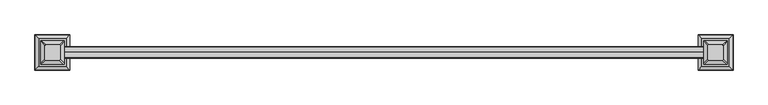
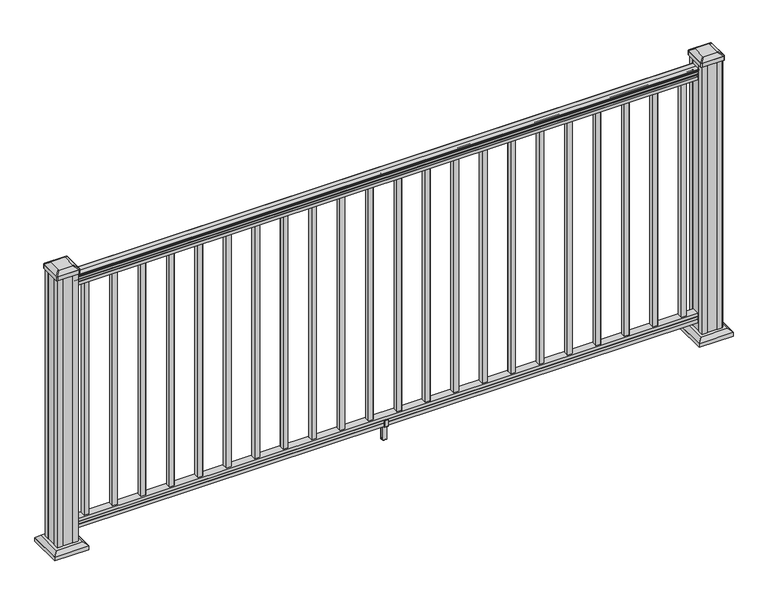
"""IFC4 building model written with IfcOpenShell, lengths in millimetres: railing geometry."""

from ifc_helpers import new_model, si_unit, point, frame, frame_2d, origin, origin_with_axes, place, context, project, spatial, polyline, circle_curve, trimmed, segment, composite_curve, outline, extrude, faceted_brep, source, transform, mapped, element, save
from ifc_brep_helpers import plane_surface, extruded_surface, advanced_brep


def railing_cb404c68(model_context):
    return source(origin(), model_context, "Body", "SolidModel", [
        extrude(outline(composite_curve([segment(trimmed(circle_curve(frame_2d((2738.0690602, 1090.8043297)), 1.2869144), [point((2739.3559745, 1090.8043297))], [point((2736.7821458, 1090.8043297))], False, "CARTESIAN"), True, "CONTINUOUS"), segment(polyline([(2736.7821458, 1090.8043297), (2736.7821458, 1080.147013), (2737.7981458, 1079.131013), (2737.7981458, 1066.8), (2706.0481458, 1066.8), (2706.0481458, 1079.2888283), (2707.0641458, 1080.3048283), (2707.0641458, 1090.8043297)]), True, "CONTINUOUS"), segment(trimmed(circle_curve(frame_2d((2705.7772314, 1090.8043297)), 1.2869144), [point((2707.0641458, 1090.8043297))], [point((2704.4903171, 1090.8043297))], False, "CARTESIAN"), True, "CONTINUOUS"), segment(polyline([(2704.4903171, 1090.8043297), (2704.4903171, 1092.692412)]), True, "CONTINUOUS"), segment(trimmed(circle_curve(frame_2d((2710.8050703, 1098.4506383)), 8.545951), [point((2704.4903171, 1092.692412))], [point((2703.3601308, 1094.2546695))], False, "CARTESIAN"), True, "CONTINUOUS"), segment(trimmed(circle_curve(frame_2d((2710.3680074, 1097.8636577)), 7.882584), [point((2703.3601308, 1094.2546695))], [point((2703.3601308, 1101.4726458))], False, "CARTESIAN"), True, "CONTINUOUS"), segment(trimmed(circle_curve(frame_2d((2699.8546832, 1103.7112527)), 4.1592695), [point((2703.3601308, 1101.4726458))], [point((2704.0093872, 1103.9060812))], True, "CARTESIAN"), True, "CONTINUOUS"), segment(trimmed(circle_curve(frame_2d((2698.5673767, 1103.6508864)), 5.4479907), [point((2704.0093872, 1103.9060812))], [point((2701.5093872, 1108.2362083))], True, "CARTESIAN"), True, "CONTINUOUS"), segment(trimmed(circle_curve(frame_2d((2699.8005351, 1108.233395)), 1.7088543), [point((2701.5093872, 1108.2362083))], [point((2700.1000447, 1109.9157972))], True, "CARTESIAN"), True, "CONTINUOUS"), segment(trimmed(circle_curve(frame_2d((2701.4174352, 1111.0205318)), 1.7192895), [point((2700.1000447, 1109.9157972))], [point((2699.6981457, 1111.0205318))], False, "CARTESIAN"), True, "CONTINUOUS"), segment(polyline([(2699.6981457, 1111.0205318), (2699.6981458, 1112.3608158)]), True, "CONTINUOUS"), segment(trimmed(circle_curve(frame_2d((2701.251593, 1112.3608158)), 1.5534472), [point((2699.6981458, 1112.3608158))], [point((2701.251593, 1113.914263))], False, "CARTESIAN"), True, "CONTINUOUS"), segment(polyline([(2701.251593, 1113.914263), (2721.9231458, 1113.914263), (2742.5946986, 1113.914263)]), True, "CONTINUOUS"), segment(trimmed(circle_curve(frame_2d((2742.5946986, 1112.3608158)), 1.5534472), [point((2742.5946986, 1113.914263))], [point((2744.1481458, 1112.3608158))], False, "CARTESIAN"), True, "CONTINUOUS"), segment(polyline([(2744.1481458, 1112.3608158), (2744.1481458, 1111.0205318)]), True, "CONTINUOUS"), segment(trimmed(circle_curve(frame_2d((2742.4288564, 1111.0205318)), 1.7192895), [point((2744.1481458, 1111.0205318))], [point((2743.7462469, 1109.9157972))], False, "CARTESIAN"), True, "CONTINUOUS"), segment(trimmed(circle_curve(frame_2d((2744.0457565, 1108.233395)), 1.7088543), [point((2743.7462469, 1109.9157972))], [point((2742.3369044, 1108.2362083))], True, "CARTESIAN"), True, "CONTINUOUS"), segment(trimmed(circle_curve(frame_2d((2745.2789149, 1103.6508864)), 5.4479907), [point((2742.3369044, 1108.2362083))], [point((2739.8369044, 1103.9060812))], True, "CARTESIAN"), True, "CONTINUOUS"), segment(trimmed(circle_curve(frame_2d((2743.9916083, 1103.7112527)), 4.1592695), [point((2739.8369044, 1103.9060812))], [point((2740.4861608, 1101.4726458))], True, "CARTESIAN"), True, "CONTINUOUS"), segment(trimmed(circle_curve(frame_2d((2733.4782842, 1097.8636577)), 7.882584), [point((2740.4861608, 1101.4726458))], [point((2740.4861608, 1094.2546695))], False, "CARTESIAN"), True, "CONTINUOUS"), segment(trimmed(circle_curve(frame_2d((2733.0412213, 1098.4506383)), 8.545951), [point((2740.4861608, 1094.2546695))], [point((2739.3559745, 1092.692412))], False, "CARTESIAN"), True, "CONTINUOUS"), segment(polyline([(2739.3559745, 1092.692412), (2739.3559745, 1090.8043297)]), True, "CONTINUOUS")], self_intersect=False)), frame((20541.8892861, 0.0, 0.0), z_axis=(1.0, 0.0, 0.0), x_axis=(0.0, 1.0, 0.0)), (0.0, 0.0, 1.0), 2438.4),
        extrude(outline(polyline([(2737.8356327, 76.0541976), (2737.8356327, 63.5), (2706.0856327, 63.5), (2706.0856327, 76.0375508), (2707.1016327, 77.3858283), (2707.1016327, 87.6975248), (2706.0856327, 89.0458024), (2706.0856327, 101.5958781), (2737.8356327, 101.5958781), (2737.8356327, 89.0624492), (2736.8196327, 87.7141717), (2736.8196327, 77.3546183), (2737.8356327, 76.0541976)])), frame((20541.8892861, 0.0, 0.0), z_axis=(1.0, 0.0, 0.0), x_axis=(0.0, 1.0, 0.0)), (0.0, 0.0, 1.0), 2438.4),
        extrude(outline(polyline([(20601.1982861, 2731.4481458), (20601.1982861, 2712.3981458), (20582.1482861, 2712.3981458), (20582.1482861, 2731.4481458), (20601.1982861, 2731.4481458)]), holes=[polyline([(20600.8014111, 2731.0512708), (20582.5451611, 2731.0512708), (20582.5451611, 2712.7950208), (20600.8014111, 2712.7950208), (20600.8014111, 2731.0512708)])]), frame((0.0, 0.0, 101.5958781), z_axis=(0.0, 0.0, 1.0), x_axis=(1.0, 0.0, 0.0)), (0.0, 0.0, 1.0), 965.2041219),
        extrude(outline(polyline([(20712.4502861, 2731.4481458), (20712.4502861, 2712.3981458), (20693.4002861, 2712.3981458), (20693.4002861, 2731.4481458), (20712.4502861, 2731.4481458)]), holes=[polyline([(20712.0534111, 2731.0512708), (20693.7971611, 2731.0512708), (20693.7971611, 2712.7950208), (20712.0534111, 2712.7950208), (20712.0534111, 2731.0512708)])]), frame((0.0, 0.0, 101.5958781), z_axis=(0.0, 0.0, 1.0), x_axis=(1.0, 0.0, 0.0)), (0.0, 0.0, 1.0), 965.2041219),
        extrude(outline(polyline([(20823.7022861, 2731.4481458), (20823.7022861, 2712.3981458), (20804.6522861, 2712.3981458), (20804.6522861, 2731.4481458), (20823.7022861, 2731.4481458)]), holes=[polyline([(20823.3054111, 2731.0512708), (20805.0491611, 2731.0512708), (20805.0491611, 2712.7950208), (20823.3054111, 2712.7950208), (20823.3054111, 2731.0512708)])]), frame((0.0, 0.0, 101.5958781), z_axis=(0.0, 0.0, 1.0), x_axis=(1.0, 0.0, 0.0)), (0.0, 0.0, 1.0), 965.2041219),
        extrude(outline(polyline([(20934.9542861, 2731.4481458), (20934.9542861, 2712.3981458), (20915.9042861, 2712.3981458), (20915.9042861, 2731.4481458), (20934.9542861, 2731.4481458)]), holes=[polyline([(20934.5574111, 2731.0512708), (20916.3011611, 2731.0512708), (20916.3011611, 2712.7950208), (20934.5574111, 2712.7950208), (20934.5574111, 2731.0512708)])]), frame((0.0, 0.0, 101.5958781), z_axis=(0.0, 0.0, 1.0), x_axis=(1.0, 0.0, 0.0)), (0.0, 0.0, 1.0), 965.2041219),
        extrude(outline(polyline([(21046.2062861, 2731.4481458), (21046.2062861, 2712.3981458), (21027.1562861, 2712.3981458), (21027.1562861, 2731.4481458), (21046.2062861, 2731.4481458)]), holes=[polyline([(21045.8094111, 2731.0512708), (21027.5531611, 2731.0512708), (21027.5531611, 2712.7950208), (21045.8094111, 2712.7950208), (21045.8094111, 2731.0512708)])]), frame((0.0, 0.0, 101.5958781), z_axis=(0.0, 0.0, 1.0), x_axis=(1.0, 0.0, 0.0)), (0.0, 0.0, 1.0), 965.2041219),
        extrude(outline(polyline([(21157.4582861, 2731.4481458), (21157.4582861, 2712.3981458), (21138.4082861, 2712.3981458), (21138.4082861, 2731.4481458), (21157.4582861, 2731.4481458)]), holes=[polyline([(21157.0614111, 2731.0512708), (21138.8051611, 2731.0512708), (21138.8051611, 2712.7950208), (21157.0614111, 2712.7950208), (21157.0614111, 2731.0512708)])]), frame((0.0, 0.0, 101.5958781), z_axis=(0.0, 0.0, 1.0), x_axis=(1.0, 0.0, 0.0)), (0.0, 0.0, 1.0), 965.2041219),
        extrude(outline(polyline([(21268.7102861, 2731.4481458), (21268.7102861, 2712.3981458), (21249.6602861, 2712.3981458), (21249.6602861, 2731.4481458), (21268.7102861, 2731.4481458)]), holes=[polyline([(21268.3134111, 2731.0512708), (21250.0571611, 2731.0512708), (21250.0571611, 2712.7950208), (21268.3134111, 2712.7950208), (21268.3134111, 2731.0512708)])]), frame((0.0, 0.0, 101.5958781), z_axis=(0.0, 0.0, 1.0), x_axis=(1.0, 0.0, 0.0)), (0.0, 0.0, 1.0), 965.2041219),
        extrude(outline(polyline([(21379.9622861, 2731.4481458), (21379.9622861, 2712.3981458), (21360.9122861, 2712.3981458), (21360.9122861, 2731.4481458), (21379.9622861, 2731.4481458)]), holes=[polyline([(21379.5654111, 2731.0512708), (21361.3091611, 2731.0512708), (21361.3091611, 2712.7950208), (21379.5654111, 2712.7950208), (21379.5654111, 2731.0512708)])]), frame((0.0, 0.0, 101.5958781), z_axis=(0.0, 0.0, 1.0), x_axis=(1.0, 0.0, 0.0)), (0.0, 0.0, 1.0), 965.2041219),
        extrude(outline(polyline([(21491.2142861, 2731.4481458), (21491.2142861, 2712.3981458), (21472.1642861, 2712.3981458), (21472.1642861, 2731.4481458), (21491.2142861, 2731.4481458)]), holes=[polyline([(21490.8174111, 2731.0512708), (21472.5611611, 2731.0512708), (21472.5611611, 2712.7950208), (21490.8174111, 2712.7950208), (21490.8174111, 2731.0512708)])]), frame((0.0, 0.0, 101.5958781), z_axis=(0.0, 0.0, 1.0), x_axis=(1.0, 0.0, 0.0)), (0.0, 0.0, 1.0), 965.2041219),
        extrude(outline(polyline([(21602.4662861, 2731.4481458), (21602.4662861, 2712.3981458), (21583.4162861, 2712.3981458), (21583.4162861, 2731.4481458), (21602.4662861, 2731.4481458)]), holes=[polyline([(21602.0694111, 2731.0512708), (21583.8131611, 2731.0512708), (21583.8131611, 2712.7950208), (21602.0694111, 2712.7950208), (21602.0694111, 2731.0512708)])]), frame((0.0, 0.0, 101.5958781), z_axis=(0.0, 0.0, 1.0), x_axis=(1.0, 0.0, 0.0)), (0.0, 0.0, 1.0), 965.2041219),
        extrude(outline(polyline([(21713.7182861, 2731.4481458), (21713.7182861, 2712.3981458), (21694.6682861, 2712.3981458), (21694.6682861, 2731.4481458), (21713.7182861, 2731.4481458)]), holes=[polyline([(21713.3214111, 2731.0512708), (21695.0651611, 2731.0512708), (21695.0651611, 2712.7950208), (21713.3214111, 2712.7950208), (21713.3214111, 2731.0512708)])]), frame((0.0, 0.0, 101.5958781), z_axis=(0.0, 0.0, 1.0), x_axis=(1.0, 0.0, 0.0)), (0.0, 0.0, 1.0), 965.2041219),
        extrude(outline(polyline([(2703.762147, 88.7203979), (2705.7941466, 88.7203979), (2706.8101464, 87.7043953), (2706.8101464, 77.2686081), (2705.7941466, 76.2526073), (2705.7941466, 64.262001), (2706.5561457, 63.5000019), (2737.2901469, 63.5000019), (2738.052146, 64.262001), (2738.052146, 76.2526073), (2737.0361462, 77.2686081), (2737.0361462, 87.7043953), (2738.052146, 88.7203979), (2740.0841456, 88.7203979), (2740.8461466, 87.9583969), (2740.8461466, 61.4680023), (2740.0841456, 60.7060013), (2730.0511465, 60.7060013), (2729.2891464, 59.9440012), (2729.2891464, 0.762001), (2728.5271454, 0.0), (2715.3191462, 0.0), (2714.5571461, 0.7620001), (2714.5571461, 59.9440012), (2713.795146, 60.7060013), (2703.762147, 60.7060013), (2703.0001459, 61.4680023), (2703.0001459, 87.9583969), (2703.762147, 88.7203979)]), holes=[polyline([(2725.3521462, 60.7060013), (2718.4941464, 60.7060013), (2717.7321463, 59.9440012), (2717.7321463, 3.9370003), (2718.4941435, 3.1750031), (2725.3521462, 3.1750031), (2726.1141463, 3.9370031), (2726.1141463, 59.9440012), (2725.3521462, 60.7060013)])]), frame((21752.4532861, 0.0, 0.0), z_axis=(1.0, 0.0, 0.0), x_axis=(0.0, 1.0, 0.0)), (0.0, 0.0, 1.0), 14.732),
        extrude(outline(polyline([(21824.9702861, 2731.4481458), (21824.9702861, 2712.3981458), (21805.9202861, 2712.3981458), (21805.9202861, 2731.4481458), (21824.9702861, 2731.4481458)]), holes=[polyline([(21824.5734111, 2731.0512708), (21806.3171611, 2731.0512708), (21806.3171611, 2712.7950208), (21824.5734111, 2712.7950208), (21824.5734111, 2731.0512708)])]), frame((0.0, 0.0, 101.5958781), z_axis=(0.0, 0.0, 1.0), x_axis=(1.0, 0.0, 0.0)), (0.0, 0.0, 1.0), 965.2041219),
        extrude(outline(polyline([(21936.2222861, 2731.4481458), (21936.2222861, 2712.3981458), (21917.1722861, 2712.3981458), (21917.1722861, 2731.4481458), (21936.2222861, 2731.4481458)]), holes=[polyline([(21935.8254111, 2731.0512708), (21917.5691611, 2731.0512708), (21917.5691611, 2712.7950208), (21935.8254111, 2712.7950208), (21935.8254111, 2731.0512708)])]), frame((0.0, 0.0, 101.5958781), z_axis=(0.0, 0.0, 1.0), x_axis=(1.0, 0.0, 0.0)), (0.0, 0.0, 1.0), 965.2041219),
        extrude(outline(polyline([(22047.4742861, 2731.4481458), (22047.4742861, 2712.3981458), (22028.4242861, 2712.3981458), (22028.4242861, 2731.4481458), (22047.4742861, 2731.4481458)]), holes=[polyline([(22047.0774111, 2731.0512708), (22028.8211611, 2731.0512708), (22028.8211611, 2712.7950208), (22047.0774111, 2712.7950208), (22047.0774111, 2731.0512708)])]), frame((0.0, 0.0, 101.5958781), z_axis=(0.0, 0.0, 1.0), x_axis=(1.0, 0.0, 0.0)), (0.0, 0.0, 1.0), 965.2041219),
        extrude(outline(polyline([(22158.7262861, 2731.4481458), (22158.7262861, 2712.3981458), (22139.6762861, 2712.3981458), (22139.6762861, 2731.4481458), (22158.7262861, 2731.4481458)]), holes=[polyline([(22158.3294111, 2731.0512708), (22140.0731611, 2731.0512708), (22140.0731611, 2712.7950208), (22158.3294111, 2712.7950208), (22158.3294111, 2731.0512708)])]), frame((0.0, 0.0, 101.5958781), z_axis=(0.0, 0.0, 1.0), x_axis=(1.0, 0.0, 0.0)), (0.0, 0.0, 1.0), 965.2041219),
        extrude(outline(polyline([(22269.9782861, 2731.4481458), (22269.9782861, 2712.3981458), (22250.9282861, 2712.3981458), (22250.9282861, 2731.4481458), (22269.9782861, 2731.4481458)]), holes=[polyline([(22269.5814111, 2731.0512708), (22251.3251611, 2731.0512708), (22251.3251611, 2712.7950208), (22269.5814111, 2712.7950208), (22269.5814111, 2731.0512708)])]), frame((0.0, 0.0, 101.5958781), z_axis=(0.0, 0.0, 1.0), x_axis=(1.0, 0.0, 0.0)), (0.0, 0.0, 1.0), 965.2041219),
        extrude(outline(polyline([(22381.2302861, 2731.4481458), (22381.2302861, 2712.3981458), (22362.1802861, 2712.3981458), (22362.1802861, 2731.4481458), (22381.2302861, 2731.4481458)]), holes=[polyline([(22380.8334111, 2731.0512708), (22362.5771611, 2731.0512708), (22362.5771611, 2712.7950208), (22380.8334111, 2712.7950208), (22380.8334111, 2731.0512708)])]), frame((0.0, 0.0, 101.5958781), z_axis=(0.0, 0.0, 1.0), x_axis=(1.0, 0.0, 0.0)), (0.0, 0.0, 1.0), 965.2041219),
        extrude(outline(polyline([(22492.4822861, 2731.4481458), (22492.4822861, 2712.3981458), (22473.4322861, 2712.3981458), (22473.4322861, 2731.4481458), (22492.4822861, 2731.4481458)]), holes=[polyline([(22492.0854111, 2731.0512708), (22473.8291611, 2731.0512708), (22473.8291611, 2712.7950208), (22492.0854111, 2712.7950208), (22492.0854111, 2731.0512708)])]), frame((0.0, 0.0, 101.5958781), z_axis=(0.0, 0.0, 1.0), x_axis=(1.0, 0.0, 0.0)), (0.0, 0.0, 1.0), 965.2041219),
        extrude(outline(polyline([(22603.7342861, 2731.4481458), (22603.7342861, 2712.3981458), (22584.6842861, 2712.3981458), (22584.6842861, 2731.4481458), (22603.7342861, 2731.4481458)]), holes=[polyline([(22603.3374111, 2731.0512708), (22585.0811611, 2731.0512708), (22585.0811611, 2712.7950208), (22603.3374111, 2712.7950208), (22603.3374111, 2731.0512708)])]), frame((0.0, 0.0, 101.5958781), z_axis=(0.0, 0.0, 1.0), x_axis=(1.0, 0.0, 0.0)), (0.0, 0.0, 1.0), 965.2041219),
        extrude(outline(polyline([(22714.9862861, 2731.4481458), (22714.9862861, 2712.3981458), (22695.9362861, 2712.3981458), (22695.9362861, 2731.4481458), (22714.9862861, 2731.4481458)]), holes=[polyline([(22714.5894111, 2731.0512708), (22696.3331611, 2731.0512708), (22696.3331611, 2712.7950208), (22714.5894111, 2712.7950208), (22714.5894111, 2731.0512708)])]), frame((0.0, 0.0, 101.5958781), z_axis=(0.0, 0.0, 1.0), x_axis=(1.0, 0.0, 0.0)), (0.0, 0.0, 1.0), 965.2041219),
        extrude(outline(polyline([(22826.2382861, 2731.4481458), (22826.2382861, 2712.3981458), (22807.1882861, 2712.3981458), (22807.1882861, 2731.4481458), (22826.2382861, 2731.4481458)]), holes=[polyline([(22825.8414111, 2731.0512708), (22807.5851611, 2731.0512708), (22807.5851611, 2712.7950208), (22825.8414111, 2712.7950208), (22825.8414111, 2731.0512708)])]), frame((0.0, 0.0, 101.5958781), z_axis=(0.0, 0.0, 1.0), x_axis=(1.0, 0.0, 0.0)), (0.0, 0.0, 1.0), 965.2041219),
        extrude(outline(polyline([(22937.4902861, 2731.4481458), (22937.4902861, 2712.3981458), (22918.4402861, 2712.3981458), (22918.4402861, 2731.4481458), (22937.4902861, 2731.4481458)]), holes=[polyline([(22937.0934111, 2731.0512708), (22918.8371611, 2731.0512708), (22918.8371611, 2712.7950208), (22937.0934111, 2712.7950208), (22937.0934111, 2731.0512708)])]), frame((0.0, 0.0, 101.5958781), z_axis=(0.0, 0.0, 1.0), x_axis=(1.0, 0.0, 0.0)), (0.0, 0.0, 1.0), 965.2041219),
        faceted_brep([(20553.0732236, 2774.5090833, 28.575), (20447.9013486, 2774.5090833, 28.575), (20447.9013486, 2669.3372083, 28.575), (20553.0732236, 2669.3372083, 28.575), (20567.1126767, 2788.5485364, 15.24), (20567.1126767, 2655.2977552, 15.24), (20433.8618954, 2655.2977552, 15.24), (20433.8618954, 2788.5485364, 15.24)], [[[0, 1, 2, 3]], [[4, 5, 6, 7]], [[4, 0, 3, 5]], [[5, 3, 2, 6]], [[6, 2, 1, 7]], [[7, 1, 0, 4]]]),
        extrude(outline(polyline([(20567.1126767, 2788.5485364), (20567.1126767, 2655.2977552), (20433.8618954, 2655.2977552), (20433.8618954, 2788.5485364), (20567.1126767, 2788.5485364)])), origin_with_axes(), (0.0, 0.0, 1.0), 15.24),
        advanced_brep(
        [(20529.4591611, 2696.1262708, 1165.225), (20529.4591611, 2747.7200208, 1165.225), (20526.2841611, 2750.8950208, 1165.225), (20474.6904111, 2750.8950208, 1165.225), (20471.5154111, 2747.7200208, 1165.225), (20471.5154111, 2696.1262708, 1165.225), (20474.6904111, 2692.9512708, 1165.225), (20526.2841611, 2692.9512708, 1165.225), (20545.7310361, 2679.8543958, 1153.922), (20542.5560361, 2676.6793958, 1153.922), (20458.4185361, 2676.6793958, 1153.922), (20455.2435361, 2679.8543958, 1153.922), (20455.2435361, 2763.9918958, 1153.922), (20458.4185361, 2767.1668958, 1153.922), (20542.5560361, 2767.1668958, 1153.922), (20545.7310361, 2763.9918958, 1153.922)],
        [
            (0, 1),
            (1, 2, circle_curve(frame((20526.2841611, 2747.7200208, 1165.225), z_axis=(0.0, 0.0, 1.0), x_axis=(-1.0, 0.0, 0.0)), 3.175)),
            (2, 3),
            (3, 4, circle_curve(frame((20474.6904111, 2747.7200208, 1165.225), z_axis=(0.0, 0.0, 1.0), x_axis=(-1.0, 0.0, 0.0)), 3.175)),
            (4, 5),
            (5, 6, circle_curve(frame((20474.6904111, 2696.1262708, 1165.225), z_axis=(0.0, 0.0, 1.0), x_axis=(-1.0, 0.0, 0.0)), 3.175)),
            (6, 7),
            (7, 0, circle_curve(frame((20526.2841611, 2696.1262708, 1165.225), z_axis=(0.0, 0.0, 1.0), x_axis=(-1.0, 0.0, 0.0)), 3.175)),
            (8, 9, circle_curve(frame((20542.5560361, 2679.8543958, 1153.922), z_axis=(0.0, 0.0, -1.0), x_axis=(-1.0, 0.0, 0.0)), 3.175)),
            (9, 10),
            (10, 11, circle_curve(frame((20458.4185361, 2679.8543958, 1153.922), z_axis=(0.0, 0.0, -1.0), x_axis=(-1.0, 0.0, 0.0)), 3.175)),
            (11, 12),
            (12, 13, circle_curve(frame((20458.4185361, 2763.9918958, 1153.922), z_axis=(0.0, 0.0, -1.0), x_axis=(-1.0, 0.0, 0.0)), 3.175)),
            (13, 14),
            (14, 15, circle_curve(frame((20542.5560361, 2763.9918958, 1153.922), z_axis=(0.0, 0.0, -1.0), x_axis=(-1.0, 0.0, 0.0)), 3.175)),
            (15, 8),
            (8, 0),
            (7, 9),
            (6, 10),
            (5, 11),
            (4, 12),
            (3, 13),
            (2, 14),
            (1, 15),
        ],
        [
            plane_surface(frame((20500.4872861, 2721.9231458, 1165.225), z_axis=(0.0, 0.0, 1.0), x_axis=(0.0, -1.0, 0.0))),
            plane_surface(frame((20500.4872861, 2721.9231458, 1153.922), z_axis=(0.0, 0.0, -1.0), x_axis=(0.0, -1.0, 0.0))),
            extruded_surface(trimmed(circle_curve(frame((20526.2841611, 2696.1262708, 1165.225), z_axis=(0.0, 0.0, -1.0), x_axis=(-1.0, 0.0, 0.0)), 3.175), [point((20529.4591611, 2696.1262708, 1165.225))], [point((20526.2841611, 2692.9512708, 1165.225))], True, "CARTESIAN"), (16.271874999998545, -16.27187499999991, -11.302999999999884), 25.63797263886513),
            plane_surface(frame((20500.4872861, 2676.6793958, 1153.922), z_axis=(0.0, -0.5705009161540777, 0.8212969649690409), x_axis=(-1.0, 0.0, 0.0))),
            extruded_surface(trimmed(circle_curve(frame((20474.6904111, 2696.1262708, 1165.225), z_axis=(0.0, 0.0, -1.0), x_axis=(-1.0, 0.0, 0.0)), 3.175), [point((20474.6904111, 2692.9512708, 1165.225))], [point((20471.5154111, 2696.1262708, 1165.225))], True, "CARTESIAN"), (-16.271874999998545, -16.27187499999991, -11.302999999999884), 25.63797263886513),
            plane_surface(frame((20455.2435361, 2721.9231458, 1153.922), z_axis=(-0.5705009161540291, 0.0, 0.8212969649690747), x_axis=(0.0, 1.0, 0.0))),
            extruded_surface(trimmed(circle_curve(frame((20474.6904111, 2747.7200208, 1165.225), z_axis=(0.0, 0.0, -1.0), x_axis=(-1.0, 0.0, 0.0)), 3.175), [point((20471.5154111, 2747.7200208, 1165.225))], [point((20474.6904111, 2750.8950208, 1165.225))], True, "CARTESIAN"), (-16.271874999998545, 16.27187499999991, -11.302999999999884), 25.63797263886513),
            plane_surface(frame((20500.4872861, 2767.1668958, 1153.922), z_axis=(0.0, 0.5705009161540143, 0.821296964969085), x_axis=(1.0, 0.0, 0.0))),
            extruded_surface(trimmed(circle_curve(frame((20526.2841611, 2747.7200208, 1165.225), z_axis=(0.0, 0.0, -1.0), x_axis=(-1.0, 0.0, 0.0)), 3.175), [point((20526.2841611, 2750.8950208, 1165.225))], [point((20529.4591611, 2747.7200208, 1165.225))], True, "CARTESIAN"), (16.271874999998545, 16.27187499999991, -11.302999999999884), 25.63797263886513),
            plane_surface(frame((20545.7310361, 2721.9231458, 1153.922), z_axis=(0.570500916154034, 0.0, 0.8212969649690713), x_axis=(0.0, -1.0, 0.0))),
        ],
        [
            (0, [[1, 2, 3, 4, 5, 6, 7, 8]]),
            (1, [[9, 10, 11, 12, 13, 14, 15, 16]]),
            (2, [[17, -8, 18, -9]]),
            (3, [[-18, -7, 19, -10]]),
            (4, [[-19, -6, 20, -11]]),
            (5, [[-20, -5, 21, -12]]),
            (6, [[-21, -4, 22, -13]]),
            (7, [[-22, -3, 23, -14]]),
            (8, [[-23, -2, 24, -15]]),
            (9, [[-24, -1, -17, -16]]),
        ],
    ),
        extrude(outline(composite_curve([segment(trimmed(circle_curve(frame_2d((20542.5560361, 2679.8543958)), 3.175), [point((20545.7310361, 2679.8543958))], [point((20542.5560361, 2676.6793958))], False, "CARTESIAN"), True, "CONTINUOUS"), segment(polyline([(20542.5560361, 2676.6793958), (20458.4185361, 2676.6793958)]), True, "CONTINUOUS"), segment(trimmed(circle_curve(frame_2d((20458.4185361, 2679.8543958)), 3.175), [point((20458.4185361, 2676.6793958))], [point((20455.2435361, 2679.8543958))], False, "CARTESIAN"), True, "CONTINUOUS"), segment(polyline([(20455.2435361, 2679.8543958), (20455.2435361, 2763.9918958)]), True, "CONTINUOUS"), segment(trimmed(circle_curve(frame_2d((20458.4185361, 2763.9918958)), 3.175), [point((20455.2435361, 2763.9918958))], [point((20458.4185361, 2767.1668958))], False, "CARTESIAN"), True, "CONTINUOUS"), segment(polyline([(20458.4185361, 2767.1668958), (20542.5560361, 2767.1668958)]), True, "CONTINUOUS"), segment(trimmed(circle_curve(frame_2d((20542.5560361, 2763.9918958)), 3.175), [point((20542.5560361, 2767.1668958))], [point((20545.7310361, 2763.9918958))], False, "CARTESIAN"), True, "CONTINUOUS"), segment(polyline([(20545.7310361, 2763.9918958), (20545.7310361, 2679.8543958)]), True, "CONTINUOUS")], self_intersect=False)), frame((0.0, 0.0, 1136.65), z_axis=(0.0, 0.0, 1.0), x_axis=(1.0, 0.0, 0.0)), (0.0, 0.0, 1.0), 17.272),
        extrude(outline(polyline([(20541.7622861, 2682.2356458), (20540.1747861, 2680.6481458), (20520.5532861, 2680.6481458), (20519.7912861, 2682.2356458), (20481.1832861, 2682.2356458), (20480.4212861, 2680.6481458), (20460.7997861, 2680.6481458), (20459.2122861, 2682.2356458), (20459.2122861, 2701.8571458), (20460.7997861, 2702.6191458), (20460.7997861, 2741.2271458), (20459.2122861, 2741.9891458), (20459.2122861, 2761.6106458), (20460.7997861, 2763.1981458), (20480.4212861, 2763.1981458), (20481.1832861, 2761.6106458), (20519.7912861, 2761.6106458), (20520.5532861, 2763.1981458), (20540.1747861, 2763.1981458), (20541.7622861, 2761.6106458), (20541.7622861, 2741.9891458), (20540.1747861, 2741.2271458), (20540.1747861, 2702.6191458), (20541.7622861, 2701.8571458), (20541.7622861, 2682.2356458)])), origin_with_axes(), (0.0, 0.0, 1.0), 1136.65),
        faceted_brep([(23074.2772236, 2774.5090833, 28.575), (22969.1053486, 2774.5090833, 28.575), (22969.1053486, 2669.3372083, 28.575), (23074.2772236, 2669.3372083, 28.575), (23088.3166767, 2788.5485364, 15.24), (23088.3166767, 2655.2977552, 15.24), (22955.0658954, 2655.2977552, 15.24), (22955.0658954, 2788.5485364, 15.24)], [[[0, 1, 2, 3]], [[4, 5, 6, 7]], [[4, 0, 3, 5]], [[5, 3, 2, 6]], [[6, 2, 1, 7]], [[7, 1, 0, 4]]]),
        extrude(outline(polyline([(23088.3166767, 2788.5485364), (23088.3166767, 2655.2977552), (22955.0658954, 2655.2977552), (22955.0658954, 2788.5485364), (23088.3166767, 2788.5485364)])), origin_with_axes(), (0.0, 0.0, 1.0), 15.24),
        advanced_brep(
        [(23050.6631611, 2696.1262708, 1165.225), (23050.6631611, 2747.7200208, 1165.225), (23047.4881611, 2750.8950208, 1165.225), (22995.8944111, 2750.8950208, 1165.225), (22992.7194111, 2747.7200208, 1165.225), (22992.7194111, 2696.1262708, 1165.225), (22995.8944111, 2692.9512708, 1165.225), (23047.4881611, 2692.9512708, 1165.225), (23066.9350361, 2679.8543958, 1153.922), (23063.7600361, 2676.6793958, 1153.922), (22979.6225361, 2676.6793958, 1153.922), (22976.4475361, 2679.8543958, 1153.922), (22976.4475361, 2763.9918958, 1153.922), (22979.6225361, 2767.1668958, 1153.922), (23063.7600361, 2767.1668958, 1153.922), (23066.9350361, 2763.9918958, 1153.922)],
        [
            (0, 1),
            (1, 2, circle_curve(frame((23047.4881611, 2747.7200208, 1165.225), z_axis=(0.0, 0.0, 1.0), x_axis=(-1.0, 0.0, 0.0)), 3.175)),
            (2, 3),
            (3, 4, circle_curve(frame((22995.8944111, 2747.7200208, 1165.225), z_axis=(0.0, 0.0, 1.0), x_axis=(-1.0, 0.0, 0.0)), 3.175)),
            (4, 5),
            (5, 6, circle_curve(frame((22995.8944111, 2696.1262708, 1165.225), z_axis=(0.0, 0.0, 1.0), x_axis=(-1.0, 0.0, 0.0)), 3.175)),
            (6, 7),
            (7, 0, circle_curve(frame((23047.4881611, 2696.1262708, 1165.225), z_axis=(0.0, 0.0, 1.0), x_axis=(-1.0, 0.0, 0.0)), 3.175)),
            (8, 9, circle_curve(frame((23063.7600361, 2679.8543958, 1153.922), z_axis=(0.0, 0.0, -1.0), x_axis=(-1.0, 0.0, 0.0)), 3.175)),
            (9, 10),
            (10, 11, circle_curve(frame((22979.6225361, 2679.8543958, 1153.922), z_axis=(0.0, 0.0, -1.0), x_axis=(-1.0, 0.0, 0.0)), 3.175)),
            (11, 12),
            (12, 13, circle_curve(frame((22979.6225361, 2763.9918958, 1153.922), z_axis=(0.0, 0.0, -1.0), x_axis=(-1.0, 0.0, 0.0)), 3.175)),
            (13, 14),
            (14, 15, circle_curve(frame((23063.7600361, 2763.9918958, 1153.922), z_axis=(0.0, 0.0, -1.0), x_axis=(-1.0, 0.0, 0.0)), 3.175)),
            (15, 8),
            (8, 0),
            (7, 9),
            (6, 10),
            (5, 11),
            (4, 12),
            (3, 13),
            (2, 14),
            (1, 15),
        ],
        [
            plane_surface(frame((23021.6912861, 2721.9231458, 1165.225), z_axis=(0.0, 0.0, 1.0), x_axis=(0.0, -1.0, 0.0))),
            plane_surface(frame((23021.6912861, 2721.9231458, 1153.922), z_axis=(0.0, 0.0, -1.0), x_axis=(0.0, -1.0, 0.0))),
            extruded_surface(trimmed(circle_curve(frame((23047.4881611, 2696.1262708, 1165.225), z_axis=(0.0, 0.0, -1.0), x_axis=(-1.0, 0.0, 0.0)), 3.175), [point((23050.6631611, 2696.1262708, 1165.225))], [point((23047.4881611, 2692.9512708, 1165.225))], True, "CARTESIAN"), (16.271875000002183, -16.27187499999991, -11.302999999999884), 25.63797263886744),
            plane_surface(frame((23021.6912861, 2676.6793958, 1153.922), z_axis=(0.0, -0.5705009161540777, 0.8212969649690409), x_axis=(-1.0, 0.0, 0.0))),
            extruded_surface(trimmed(circle_curve(frame((22995.8944111, 2696.1262708, 1165.225), z_axis=(0.0, 0.0, -1.0), x_axis=(-1.0, 0.0, 0.0)), 3.175), [point((22995.8944111, 2692.9512708, 1165.225))], [point((22992.7194111, 2696.1262708, 1165.225))], True, "CARTESIAN"), (-16.271874999998545, -16.27187499999991, -11.302999999999884), 25.63797263886513),
            plane_surface(frame((22976.4475361, 2721.9231458, 1153.922), z_axis=(-0.5705009161540291, 0.0, 0.8212969649690747), x_axis=(0.0, 1.0, 0.0))),
            extruded_surface(trimmed(circle_curve(frame((22995.8944111, 2747.7200208, 1165.225), z_axis=(0.0, 0.0, -1.0), x_axis=(-1.0, 0.0, 0.0)), 3.175), [point((22992.7194111, 2747.7200208, 1165.225))], [point((22995.8944111, 2750.8950208, 1165.225))], True, "CARTESIAN"), (-16.271874999998545, 16.27187499999991, -11.302999999999884), 25.63797263886513),
            plane_surface(frame((23021.6912861, 2767.1668958, 1153.922), z_axis=(0.0, 0.5705009161540143, 0.821296964969085), x_axis=(1.0, 0.0, 0.0))),
            extruded_surface(trimmed(circle_curve(frame((23047.4881611, 2747.7200208, 1165.225), z_axis=(0.0, 0.0, -1.0), x_axis=(-1.0, 0.0, 0.0)), 3.175), [point((23047.4881611, 2750.8950208, 1165.225))], [point((23050.6631611, 2747.7200208, 1165.225))], True, "CARTESIAN"), (16.271875000002183, 16.27187499999991, -11.302999999999884), 25.63797263886744),
            plane_surface(frame((23066.9350361, 2721.9231458, 1153.922), z_axis=(0.570500916154034, 0.0, 0.8212969649690713), x_axis=(0.0, -1.0, 0.0))),
        ],
        [
            (0, [[1, 2, 3, 4, 5, 6, 7, 8]]),
            (1, [[9, 10, 11, 12, 13, 14, 15, 16]]),
            (2, [[17, -8, 18, -9]]),
            (3, [[-18, -7, 19, -10]]),
            (4, [[-19, -6, 20, -11]]),
            (5, [[-20, -5, 21, -12]]),
            (6, [[-21, -4, 22, -13]]),
            (7, [[-22, -3, 23, -14]]),
            (8, [[-23, -2, 24, -15]]),
            (9, [[-24, -1, -17, -16]]),
        ],
    ),
        extrude(outline(composite_curve([segment(trimmed(circle_curve(frame_2d((23063.7600361, 2679.8543958)), 3.175), [point((23066.9350361, 2679.8543958))], [point((23063.7600361, 2676.6793958))], False, "CARTESIAN"), True, "CONTINUOUS"), segment(polyline([(23063.7600361, 2676.6793958), (22979.6225361, 2676.6793958)]), True, "CONTINUOUS"), segment(trimmed(circle_curve(frame_2d((22979.6225361, 2679.8543958)), 3.175), [point((22979.6225361, 2676.6793958))], [point((22976.4475361, 2679.8543958))], False, "CARTESIAN"), True, "CONTINUOUS"), segment(polyline([(22976.4475361, 2679.8543958), (22976.4475361, 2763.9918958)]), True, "CONTINUOUS"), segment(trimmed(circle_curve(frame_2d((22979.6225361, 2763.9918958)), 3.175), [point((22976.4475361, 2763.9918958))], [point((22979.6225361, 2767.1668958))], False, "CARTESIAN"), True, "CONTINUOUS"), segment(polyline([(22979.6225361, 2767.1668958), (23063.7600361, 2767.1668958)]), True, "CONTINUOUS"), segment(trimmed(circle_curve(frame_2d((23063.7600361, 2763.9918958)), 3.175), [point((23063.7600361, 2767.1668958))], [point((23066.9350361, 2763.9918958))], False, "CARTESIAN"), True, "CONTINUOUS"), segment(polyline([(23066.9350361, 2763.9918958), (23066.9350361, 2679.8543958)]), True, "CONTINUOUS")], self_intersect=False)), frame((0.0, 0.0, 1136.65), z_axis=(0.0, 0.0, 1.0), x_axis=(1.0, 0.0, 0.0)), (0.0, 0.0, 1.0), 17.272),
        extrude(outline(polyline([(23062.9662861, 2682.2356458), (23061.3787861, 2680.6481458), (23041.7572861, 2680.6481458), (23040.9952861, 2682.2356458), (23002.3872861, 2682.2356458), (23001.6252861, 2680.6481458), (22982.0037861, 2680.6481458), (22980.4162861, 2682.2356458), (22980.4162861, 2701.8571458), (22982.0037861, 2702.6191458), (22982.0037861, 2741.2271458), (22980.4162861, 2741.9891458), (22980.4162861, 2761.6106458), (22982.0037861, 2763.1981458), (23001.6252861, 2763.1981458), (23002.3872861, 2761.6106458), (23040.9952861, 2761.6106458), (23041.7572861, 2763.1981458), (23061.3787861, 2763.1981458), (23062.9662861, 2761.6106458), (23062.9662861, 2741.9891458), (23061.3787861, 2741.2271458), (23061.3787861, 2702.6191458), (23062.9662861, 2701.8571458), (23062.9662861, 2682.2356458)])), origin_with_axes(), (0.0, 0.0, 1.0), 1136.65),
    ])


if __name__ == "__main__":
    model = new_model("IFC4")
    model_context = context("Model", 3, world=origin())
    ifc_project = project(units=[si_unit("LENGTHUNIT", "METRE", prefix="MILLI")], contexts=[model_context])
    site = spatial("IfcSite", under=ifc_project)
    building = spatial("IfcBuilding", under=site)
    placement = place(None, origin())
    railing_shape = railing_cb404c68(model_context)
    element("IfcRailing", 1, at=placement, inside=building, context=model_context, shape_type="MappedRepresentation", body=[
        mapped(railing_shape, transform((0.0, 0.0, 0.0), x_axis=(1.0, 0.0, 0.0), y_axis=(0.0, 1.0, 0.0), z_axis=(0.0, 0.0, 1.0))),
    ])
    save(model, "model.ifc")
